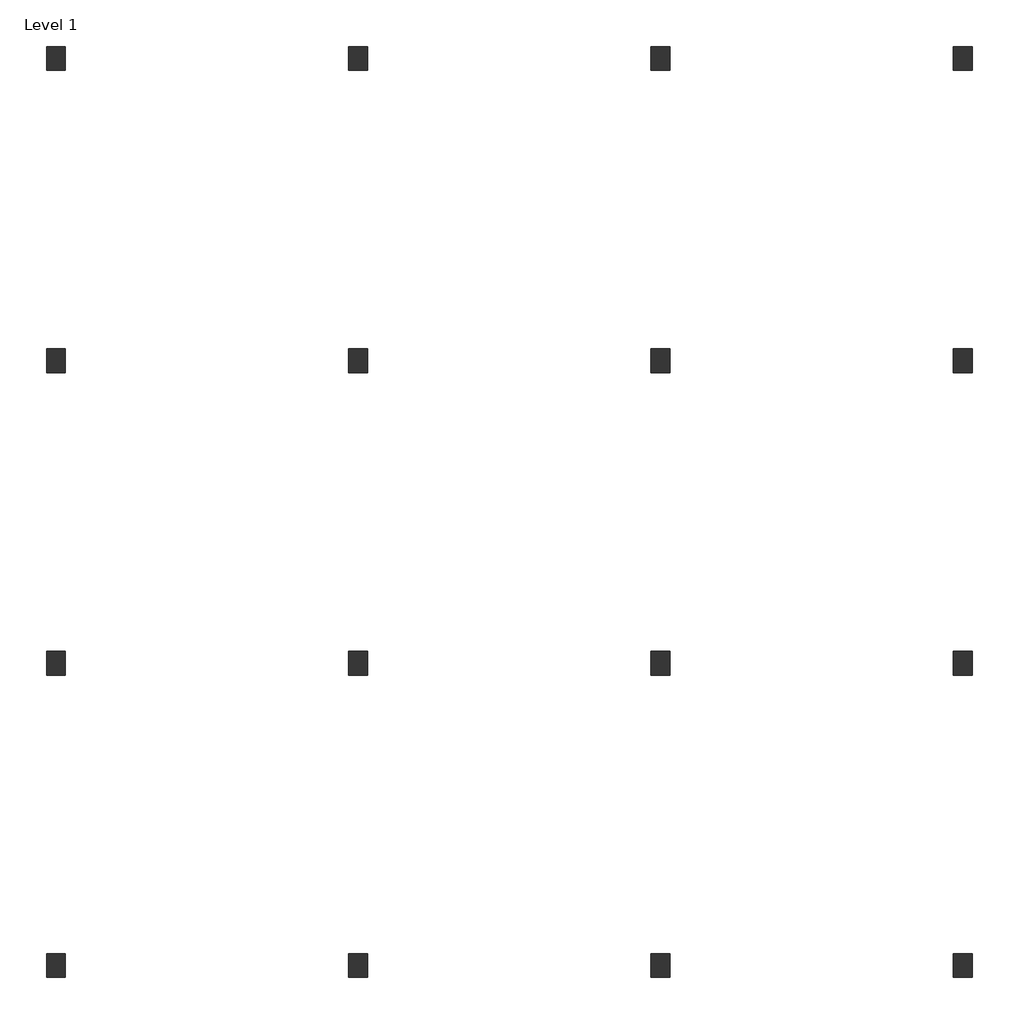
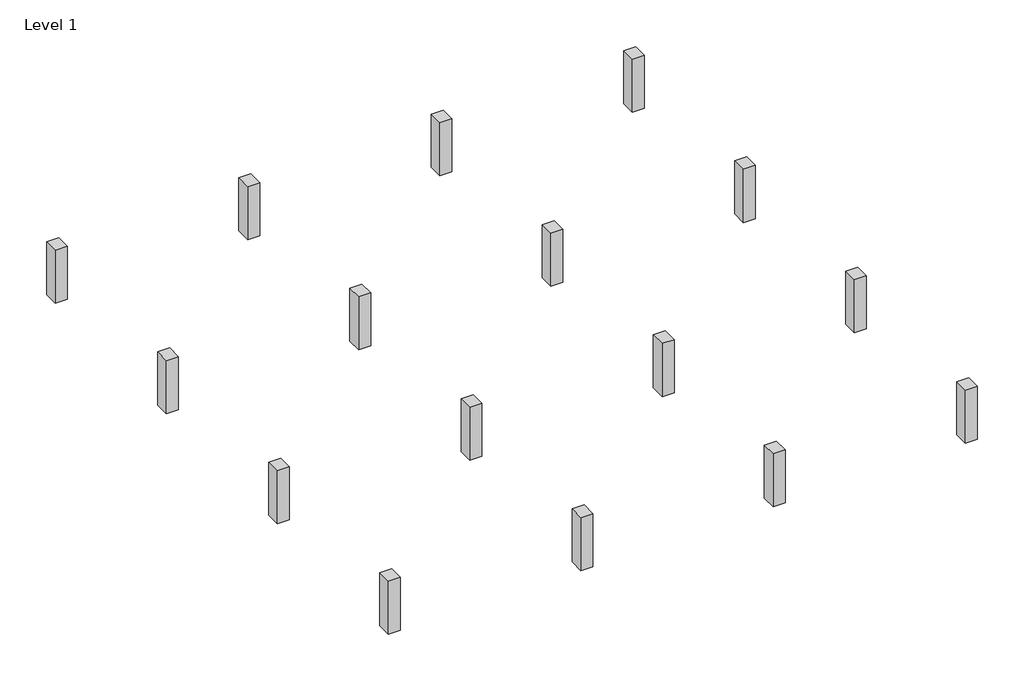
# One storey: 16 columns.
"""IFC4 building model written with IfcOpenShell, lengths in millimetres."""

from ifc_helpers import new_model, si_unit, origin, origin_with_axes, place, context, project, spatial, polyline, outline, extrude, element, save

model = new_model("IFC4")

# Units and contexts
model_context = context("Model", 3, world=origin())
ifc_project = project(units=[si_unit("LENGTHUNIT", "METRE", prefix="MILLI")], contexts=[model_context])

# Site, building, storey
site = spatial("IfcSite", under=ifc_project)
building = spatial("IfcBuilding", under=site)
storey = spatial("IfcBuildingStorey", under=building, Name="Level 1", Elevation=0.0)

# Columns
placement = place(None, origin())
element("IfcColumn", 1, ObjectType="Concrete-Rectangular-Column : 24 x 30", at=placement, inside=storey, context=model_context, shape_type="SweptSolid", body=[
    extrude(outline(polyline([(-18431.0565831, -6726.3529359), (-18431.0565831, -7488.3529359), (-19040.6565831, -7488.3529359), (-19040.6565831, -6726.3529359), (-18431.0565831, -6726.3529359)])), origin_with_axes(), (0.0, 0.0, 1.0), 2844.8),
])
element("IfcColumn", 2, ObjectType="Concrete-Rectangular-Column : 24 x 30", at=placement, inside=storey, context=model_context, shape_type="SweptSolid", body=[
    extrude(outline(polyline([(-18431.0565831, 3027.2470641), (-18431.0565831, 2265.2470641), (-19040.6565831, 2265.2470641), (-19040.6565831, 3027.2470641), (-18431.0565831, 3027.2470641)])), origin_with_axes(), (0.0, 0.0, 1.0), 2844.8),
])
element("IfcColumn", 3, ObjectType="Concrete-Rectangular-Column : 24 x 30", at=placement, inside=storey, context=model_context, shape_type="SweptSolid", body=[
    extrude(outline(polyline([(-18431.0565831, 12780.8470641), (-18431.0565831, 12018.8470641), (-19040.6565831, 12018.8470641), (-19040.6565831, 12780.8470641), (-18431.0565831, 12780.8470641)])), origin_with_axes(), (0.0, 0.0, 1.0), 2844.8),
])
element("IfcColumn", 4, ObjectType="Concrete-Rectangular-Column : 24 x 30", at=placement, inside=storey, context=model_context, shape_type="SweptSolid", body=[
    extrude(outline(polyline([(-18431.0565831, 22534.4470641), (-18431.0565831, 21772.4470641), (-19040.6565831, 21772.4470641), (-19040.6565831, 22534.4470641), (-18431.0565831, 22534.4470641)])), origin_with_axes(), (0.0, 0.0, 1.0), 2844.8),
])
element("IfcColumn", 5, ObjectType="Concrete-Rectangular-Column : 24 x 30", at=placement, inside=storey, context=model_context, shape_type="SweptSolid", body=[
    extrude(outline(polyline([(-8677.4565831, -6726.3529359), (-8677.4565831, -7488.3529359), (-9287.0565831, -7488.3529359), (-9287.0565831, -6726.3529359), (-8677.4565831, -6726.3529359)])), origin_with_axes(), (0.0, 0.0, 1.0), 2844.8),
])
element("IfcColumn", 6, ObjectType="Concrete-Rectangular-Column : 24 x 30", at=placement, inside=storey, context=model_context, shape_type="SweptSolid", body=[
    extrude(outline(polyline([(-8677.4565831, 3027.2470641), (-8677.4565831, 2265.2470641), (-9287.0565831, 2265.2470641), (-9287.0565831, 3027.2470641), (-8677.4565831, 3027.2470641)])), origin_with_axes(), (0.0, 0.0, 1.0), 2844.8),
])
element("IfcColumn", 7, ObjectType="Concrete-Rectangular-Column : 24 x 30", at=placement, inside=storey, context=model_context, shape_type="SweptSolid", body=[
    extrude(outline(polyline([(-8677.4565831, 12780.8470641), (-8677.4565831, 12018.8470641), (-9287.0565831, 12018.8470641), (-9287.0565831, 12780.8470641), (-8677.4565831, 12780.8470641)])), origin_with_axes(), (0.0, 0.0, 1.0), 2844.8),
])
element("IfcColumn", 8, ObjectType="Concrete-Rectangular-Column : 24 x 30", at=placement, inside=storey, context=model_context, shape_type="SweptSolid", body=[
    extrude(outline(polyline([(-8677.4565831, 22534.4470641), (-8677.4565831, 21772.4470641), (-9287.0565831, 21772.4470641), (-9287.0565831, 22534.4470641), (-8677.4565831, 22534.4470641)])), origin_with_axes(), (0.0, 0.0, 1.0), 2844.8),
])
element("IfcColumn", 9, ObjectType="Concrete-Rectangular-Column : 24 x 30", at=placement, inside=storey, context=model_context, shape_type="SweptSolid", body=[
    extrude(outline(polyline([(1076.1434169, -6726.3529359), (1076.1434169, -7488.3529359), (466.5434169, -7488.3529359), (466.5434169, -6726.3529359), (1076.1434169, -6726.3529359)])), origin_with_axes(), (0.0, 0.0, 1.0), 2844.8),
])
element("IfcColumn", 10, ObjectType="Concrete-Rectangular-Column : 24 x 30", at=placement, inside=storey, context=model_context, shape_type="SweptSolid", body=[
    extrude(outline(polyline([(1076.1434169, 3027.2470641), (1076.1434169, 2265.2470641), (466.5434169, 2265.2470641), (466.5434169, 3027.2470641), (1076.1434169, 3027.2470641)])), origin_with_axes(), (0.0, 0.0, 1.0), 2844.8),
])
element("IfcColumn", 11, ObjectType="Concrete-Rectangular-Column : 24 x 30", at=placement, inside=storey, context=model_context, shape_type="SweptSolid", body=[
    extrude(outline(polyline([(1076.1434169, 12780.8470641), (1076.1434169, 12018.8470641), (466.5434169, 12018.8470641), (466.5434169, 12780.8470641), (1076.1434169, 12780.8470641)])), origin_with_axes(), (0.0, 0.0, 1.0), 2844.8),
])
element("IfcColumn", 12, ObjectType="Concrete-Rectangular-Column : 24 x 30", at=placement, inside=storey, context=model_context, shape_type="SweptSolid", body=[
    extrude(outline(polyline([(1076.1434169, 22534.4470641), (1076.1434169, 21772.4470641), (466.5434169, 21772.4470641), (466.5434169, 22534.4470641), (1076.1434169, 22534.4470641)])), origin_with_axes(), (0.0, 0.0, 1.0), 2844.8),
])
element("IfcColumn", 13, ObjectType="Concrete-Rectangular-Column : 24 x 30", at=placement, inside=storey, context=model_context, shape_type="SweptSolid", body=[
    extrude(outline(polyline([(10829.7434169, -6726.3529359), (10829.7434169, -7488.3529359), (10220.1434169, -7488.3529359), (10220.1434169, -6726.3529359), (10829.7434169, -6726.3529359)])), origin_with_axes(), (0.0, 0.0, 1.0), 2844.8),
])
element("IfcColumn", 14, ObjectType="Concrete-Rectangular-Column : 24 x 30", at=placement, inside=storey, context=model_context, shape_type="SweptSolid", body=[
    extrude(outline(polyline([(10829.7434169, 3027.2470641), (10829.7434169, 2265.2470641), (10220.1434169, 2265.2470641), (10220.1434169, 3027.2470641), (10829.7434169, 3027.2470641)])), origin_with_axes(), (0.0, 0.0, 1.0), 2844.8),
])
element("IfcColumn", 15, ObjectType="Concrete-Rectangular-Column : 24 x 30", at=placement, inside=storey, context=model_context, shape_type="SweptSolid", body=[
    extrude(outline(polyline([(10829.7434169, 12780.8470641), (10829.7434169, 12018.8470641), (10220.1434169, 12018.8470641), (10220.1434169, 12780.8470641), (10829.7434169, 12780.8470641)])), origin_with_axes(), (0.0, 0.0, 1.0), 2844.8),
])
element("IfcColumn", 16, ObjectType="Concrete-Rectangular-Column : 24 x 30", at=placement, inside=storey, context=model_context, shape_type="SweptSolid", body=[
    extrude(outline(polyline([(10829.7434169, 22534.4470641), (10829.7434169, 21772.4470641), (10220.1434169, 21772.4470641), (10220.1434169, 22534.4470641), (10829.7434169, 22534.4470641)])), origin_with_axes(), (0.0, 0.0, 1.0), 2844.8),
])

save(model, "model.ifc")
